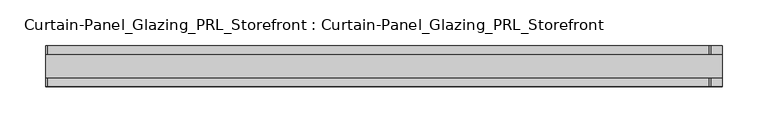
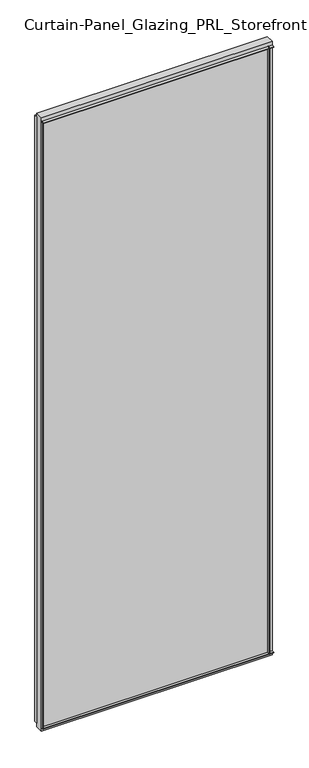
"""IFC4 building model written with IfcOpenShell, lengths in millimetres: plate geometry, Curtain-Panel_Glazing_PRL_Storefront : Curtain-Panel_Glazing_PRL_Storefront."""

from ifc_helpers import new_model, si_unit, frame, origin, origin_with_axes, place, context, project, spatial, polyline, outline, extrude, source, transform, mapped, element, save


def curtain_panel_glazing_prl_storefront_curtain_panel_glazing_e07b902f(model_context):
    return source(origin(), model_context, "Body", "SweptSolid", [
        extrude(outline(polyline([(385.2333333, -22.225), (383.6458333, -22.225), (383.6458333, -12.7), (385.2333333, -12.7), (385.2333333, -22.225)])), frame((0.0, 0.0, 12.7), z_axis=(0.0, 0.0, 1.0), x_axis=(1.0, 0.0, 0.0)), (0.0, 0.0, 1.0), 2051.05),
        extrude(outline(polyline([(385.2333333, 22.225), (385.2333333, 12.7), (383.6458333, 12.7), (383.6458333, 22.225), (385.2333333, 22.225)])), frame((0.0, 0.0, 12.7), z_axis=(0.0, 0.0, 1.0), x_axis=(1.0, 0.0, 0.0)), (0.0, 0.0, 1.0), 2051.05),
        extrude(outline(polyline([(-340.7833333, -22.225), (-340.7833333, -12.7), (-339.1958333, -12.7), (-339.1958333, -22.225), (-340.7833333, -22.225)])), frame((0.0, 0.0, 12.7), z_axis=(0.0, 0.0, 1.0), x_axis=(1.0, 0.0, 0.0)), (0.0, 0.0, 1.0), 2051.05),
        extrude(outline(polyline([(-340.7833333, 22.225), (-339.1958333, 22.225), (-339.1958333, 12.7), (-340.7833333, 12.7), (-340.7833333, 22.225)])), frame((0.0, 0.0, 12.7), z_axis=(0.0, 0.0, 1.0), x_axis=(1.0, 0.0, 0.0)), (0.0, 0.0, 1.0), 2051.05),
        extrude(outline(polyline([(397.9333333, 12.7), (397.9333333, -12.7), (-340.7833333, -12.7), (-340.7833333, 12.7), (397.9333333, 12.7)])), origin_with_axes(), (0.0, 0.0, 1.0), 2076.45),
        extrude(outline(polyline([(-340.7833333, -22.225), (-340.7833333, -12.7), (397.9333333, -12.7), (397.9333333, -22.225), (-340.7833333, -22.225)])), frame((0.0, 0.0, 2062.1625), z_axis=(0.0, 0.0, 1.0), x_axis=(1.0, 0.0, 0.0)), (0.0, 0.0, 1.0), 1.5875),
        extrude(outline(polyline([(-340.7833333, 22.225), (397.9333333, 22.225), (397.9333333, 12.7), (-340.7833333, 12.7), (-340.7833333, 22.225)])), frame((0.0, 0.0, 2062.1625), z_axis=(0.0, 0.0, 1.0), x_axis=(1.0, 0.0, 0.0)), (0.0, 0.0, 1.0), 1.5875),
        extrude(outline(polyline([(-340.7833333, -22.225), (-340.7833333, -12.7), (397.9333333, -12.7), (397.9333333, -22.225), (-340.7833333, -22.225)])), frame((0.0, 0.0, 12.7), z_axis=(0.0, 0.0, 1.0), x_axis=(1.0, 0.0, 0.0)), (0.0, 0.0, 1.0), 1.5875),
        extrude(outline(polyline([(-340.7833333, 22.225), (397.9333333, 22.225), (397.9333333, 12.7), (-340.7833333, 12.7), (-340.7833333, 22.225)])), frame((0.0, 0.0, 12.7), z_axis=(0.0, 0.0, 1.0), x_axis=(1.0, 0.0, 0.0)), (0.0, 0.0, 1.0), 1.5875),
    ])


if __name__ == "__main__":
    model = new_model("IFC4")
    model_context = context("Model", 3, world=origin())
    ifc_project = project(units=[si_unit("LENGTHUNIT", "METRE", prefix="MILLI")], contexts=[model_context])
    site = spatial("IfcSite", under=ifc_project)
    building = spatial("IfcBuilding", under=site)
    placement = place(None, origin())
    curtain_panel_glazing_prl_storefront_curtain_panel_glazing_shape = curtain_panel_glazing_prl_storefront_curtain_panel_glazing_e07b902f(model_context)
    element("IfcPlate", 1, ObjectType="Curtain-Panel_Glazing_PRL_Storefront : Curtain-Panel_Glazing_PRL_Storefront", at=placement, inside=building, context=model_context, shape_type="MappedRepresentation", body=[
        mapped(curtain_panel_glazing_prl_storefront_curtain_panel_glazing_shape, transform((0.0, 0.0, 0.0), x_axis=(1.0, 0.0, 0.0), y_axis=(0.0, 1.0, 0.0), z_axis=(0.0, 0.0, 1.0))),
    ])
    save(model, "model.ifc")
